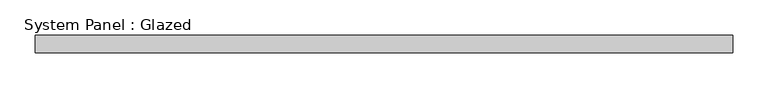
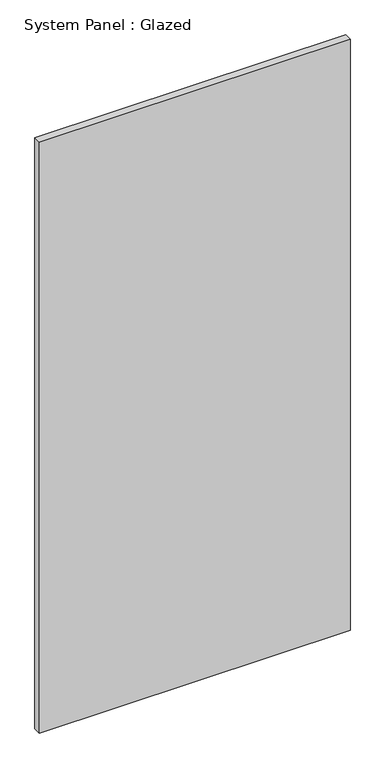
"""IFC4 building model written with IfcOpenShell, lengths in millimetres: plate geometry, System Panel : Glazed."""

from ifc_helpers import new_model, si_unit, origin, origin_with_axes, place, context, project, spatial, polyline, outline, extrude, source, transform, mapped, element, save


def system_panel_glazed_d30f706d(model_context):
    return source(origin(), model_context, "Body", "SweptSolid", [
        extrude(outline(polyline([(497.2557807, 24.5), (-497.2557807, 24.5), (-497.2557807, 49.5), (497.2557807, 49.5), (497.2557807, 24.5)])), origin_with_axes(), (0.0, 0.0, 1.0), 2000.0),
    ])


if __name__ == "__main__":
    model = new_model("IFC4")
    model_context = context("Model", 3, world=origin())
    ifc_project = project(units=[si_unit("LENGTHUNIT", "METRE", prefix="MILLI")], contexts=[model_context])
    site = spatial("IfcSite", under=ifc_project)
    building = spatial("IfcBuilding", under=site)
    placement = place(None, origin())
    system_panel_glazed_shape = system_panel_glazed_d30f706d(model_context)
    element("IfcPlate", 1, ObjectType="System Panel : Glazed", at=placement, inside=building, context=model_context, shape_type="MappedRepresentation", body=[
        mapped(system_panel_glazed_shape, transform((0.0, 0.0, 0.0), x_axis=(1.0, 0.0, 0.0), y_axis=(0.0, 1.0, 0.0), z_axis=(0.0, 0.0, 1.0))),
    ])
    save(model, "model.ifc")
